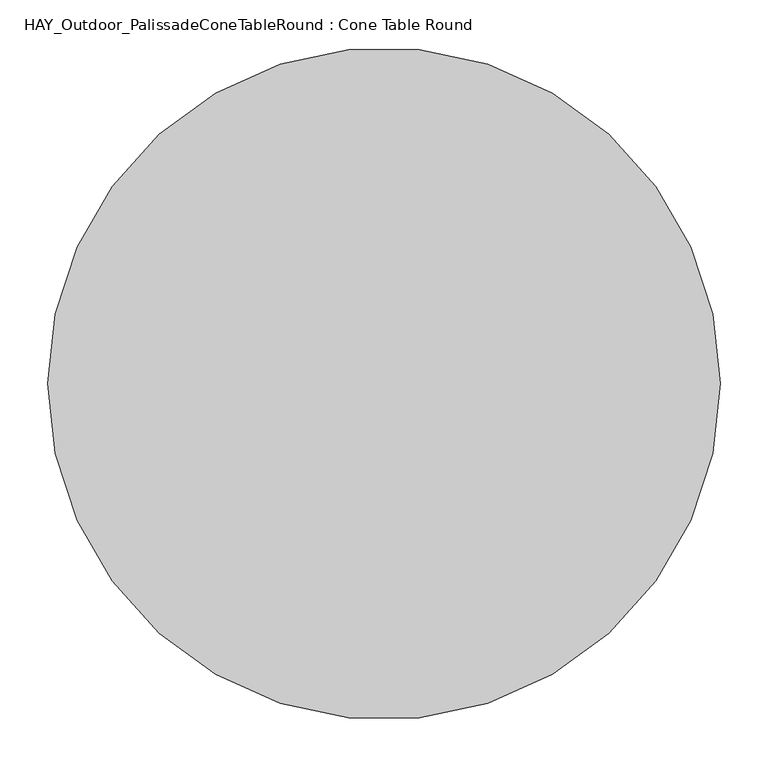
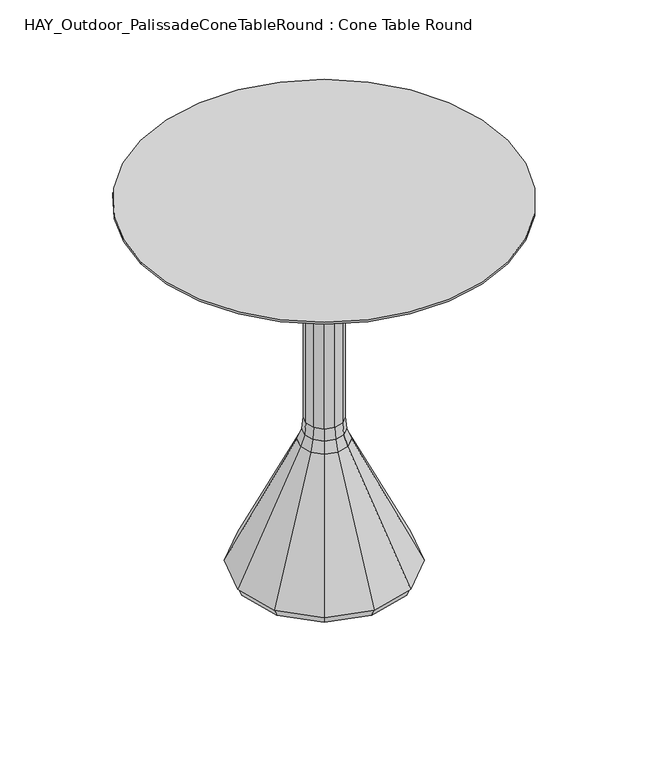
"""IFC4 building model written with IfcOpenShell, lengths in millimetres: furniture geometry, HAY_Outdoor_PalissadeConeTableRound : Cone Table Round."""

from ifc_helpers import new_model, si_unit, point, frame, origin, origin_2d, place, context, project, spatial, polyline, circle_curve, ellipse_curve, trimmed, segment, composite_curve, outline, extrude, faceted_brep, source, transform, mapped, element, save
from ifc_brep_helpers import plane_surface, cylinder_surface, revolved_surface, advanced_brep


def hay_outdoor_palissadeconetableround_cone_table_round_4ada1e5b(model_context):
    return source(origin(), model_context, "Body", "SolidModel", [
        extrude(outline(composite_curve([segment(trimmed(circle_curve(origin_2d(), 350.012), [point((-350.012, 0.0))], [point((350.012, 0.0))], False, "CARTESIAN"), True, "CONTINUOUS"), segment(trimmed(circle_curve(origin_2d(), 350.012), [point((350.012, 0.0))], [point((-350.012, 0.0))], False, "CARTESIAN"), True, "CONTINUOUS")], self_intersect=False)), frame((0.0, 0.0, 736.0012962), z_axis=(0.0, 0.0, 1.0), x_axis=(1.0, 0.0, 0.0)), (0.0, 0.0, 1.0), 3.9999739),
        advanced_brep(
        [(-61.8904654, 0.0, 722.0012787), (-67.8683385, 0.0, 722.0012787), (-61.8904654, 0.0, 710.9578606), (-67.8683385, 0.0, 710.9578606), (-42.1316606, 0.0, 710.9578606), (-48.1095336, 0.0, 710.9578606), (-48.1095336, 0.0, 722.0012787), (-42.1316606, 0.0, 722.0012787)],
        [
            (0, 1, circle_curve(frame((-64.8794019, 0.0, 722.0012787), z_axis=(0.0, 0.0, 1.0), x_axis=(-1.0, 0.0, 0.0)), 2.9889365)),
            (1, 0, circle_curve(frame((-64.8794019, 0.0, 722.0012787), z_axis=(0.0, 0.0, 1.0), x_axis=(-1.0, 0.0, 0.0)), 2.9889365)),
            (0, 2),
            (2, 3, circle_curve(frame((-64.8794019, 0.0, 710.9578606), z_axis=(0.0, 0.0, 1.0), x_axis=(-1.0, 0.0, 0.0)), 2.9889365)),
            (3, 1),
            (3, 2, circle_curve(frame((-64.8794019, 0.0, 710.9578606), z_axis=(0.0, 0.0, 1.0), x_axis=(-1.0, 0.0, 0.0)), 2.9889365)),
            (4, 3, circle_curve(frame((-54.9999995, 0.0, 710.9578606), z_axis=(0.0, 1.0, 0.0), x_axis=(-1.0, 0.0, 0.0)), 12.8683389)),
            (2, 5, circle_curve(frame((-54.9999995, 0.0, 710.9578606), z_axis=(0.0, -1.0, 0.0), x_axis=(-1.0, 0.0, 0.0)), 6.8904659)),
            (5, 4, circle_curve(frame((-45.1205971, 0.0, 710.9578606), z_axis=(0.0, 0.0, -1.0), x_axis=(1.0, 0.0, 0.0)), 2.9889365)),
            (4, 5, circle_curve(frame((-45.1205971, 0.0, 710.9578606), z_axis=(0.0, 0.0, -1.0), x_axis=(1.0, 0.0, 0.0)), 2.9889365)),
            (6, 7, circle_curve(frame((-45.1205971, 0.0, 722.0012787), z_axis=(0.0, 0.0, 1.0), x_axis=(1.0, 0.0, 0.0)), 2.9889365)),
            (7, 6, circle_curve(frame((-45.1205971, 0.0, 722.0012787), z_axis=(0.0, 0.0, 1.0), x_axis=(1.0, 0.0, 0.0)), 2.9889365)),
            (5, 6),
            (7, 4),
        ],
        [
            plane_surface(frame((-64.9999978, 0.0, 722.0012787), z_axis=(0.0, 0.0, 1.0), x_axis=(0.0, -1.0, 0.0))),
            cylinder_surface(frame((-64.8794019, 0.0, 722.0012787), z_axis=(0.0, 0.0, 1.0), x_axis=(-1.0, 0.0, 0.0)), 2.9889365),
            revolved_surface(trimmed(ellipse_curve(frame((-64.8794019, 0.0, 710.9578606), z_axis=(0.0, 0.0, 1.0), x_axis=(-1.0, 0.0, 0.0)), 2.9889365, 2.9889365), [point((-61.8904654, 0.0, 710.9578606))], [point((-67.8683385, 0.0, 710.9578606))], True, "CARTESIAN"), (-54.9999995, 0.0, 710.9578606), (0.0, -1.0, 0.0)),
            revolved_surface(trimmed(ellipse_curve(frame((-64.8794019, 0.0, 710.9578606), z_axis=(0.0, 0.0, 1.0), x_axis=(-1.0, 0.0, 0.0)), 2.9889365, 2.9889365), [point((-67.8683385, 0.0, 710.9578606))], [point((-61.8904654, 0.0, 710.9578606))], True, "CARTESIAN"), (-54.9999995, 0.0, 710.9578606), (0.0, -1.0, 0.0)),
            plane_surface(frame((-45.0000013, 0.0, 722.0012787), z_axis=(0.0, 0.0, 1.0), x_axis=(0.0, -1.0, 0.0))),
            cylinder_surface(frame((-45.1205971, 0.0, 710.9578606), z_axis=(0.0, 0.0, -1.0), x_axis=(1.0, 0.0, 0.0)), 2.9889365),
        ],
        [
            (0, [[1, 2]]),
            (1, [[-1, 3, 4, 5]]),
            (1, [[-2, -5, 6, -3]]),
            (2, [[7, -4, 8, 9]]),
            (3, [[-8, -6, -7, 10]]),
            (4, [[11, 12]]),
            (5, [[-9, 13, -12, 14]]),
            (5, [[-10, -14, -11, -13]]),
        ],
    ),
        extrude(outline(polyline([(-37.5000003, 64.9519058), (0.0, 75.0000005), (37.5000003, 64.9519058), (64.9519058, 37.5000003), (75.0000005, 0.0), (64.9519058, -37.5000003), (37.5000003, -64.9519058), (0.0, -75.0000005), (-37.5000003, -64.9519058), (-64.9519058, -37.5000003), (-75.0000005, 0.0), (-64.9519058, 37.5000003), (-37.5000003, 64.9519058)])), frame((0.0, 0.0, 722.0012787), z_axis=(0.0, 0.0, 1.0), x_axis=(1.0, 0.0, 0.0)), (0.0, 0.0, 1.0), 14.0000175),
        faceted_brep([(-78.8226597, 136.5248514, 0.0), (0.0, 157.6453194, 0.0), (78.8226597, 136.5248514, 0.0), (136.5248514, 78.8226597, 0.0), (157.6453194, 0.0, 0.0), (136.5248514, -78.8226597, 0.0), (78.8226597, -136.5248514, 0.0), (0.0, -157.6453194, 0.0), (-78.8226597, -136.5248514, 0.0), (-136.5248514, -78.8226597, 0.0), (-157.6453194, 0.0, 0.0), (-136.5248514, 78.8226597, 0.0), (-81.5867442, 141.3123862, 14.4209073), (-141.3123862, 81.5867442, 14.4209073), (-163.1734885, 0.0, 14.4209073), (-141.3123862, -81.5867442, 14.4209073), (-81.5867442, -141.3123862, 14.4209073), (0.0, -163.1734885, 14.4209073), (81.5867442, -141.3123862, 14.4209073), (141.3123862, -81.5867442, 14.4209073), (163.1734885, 0.0, 14.4209073), (141.3123862, 81.5867442, 14.4209073), (81.5867442, 141.3123862, 14.4209073), (0.0, 163.1734885, 14.4209073)], [[[0, 1, 2, 3, 4, 5, 6, 7, 8, 9, 10, 11]], [[12, 13, 14, 15, 16, 17, 18, 19, 20, 21, 22, 23]], [[13, 12, 0, 11]], [[14, 13, 11, 10]], [[15, 14, 10, 9]], [[16, 15, 9, 8]], [[17, 16, 8, 7]], [[18, 17, 7, 6]], [[19, 18, 6, 5]], [[20, 19, 5, 4]], [[21, 20, 4, 3]], [[22, 21, 3, 2]], [[23, 22, 2, 1]], [[12, 23, 1, 0]]]),
        extrude(outline(polyline([(17.5000004, 30.3108898), (30.3108898, 17.5000004), (35.0000007, 0.0), (30.3108898, -17.5000004), (17.5000004, -30.3108898), (0.0, -35.0000007), (-17.5000004, -30.3108898), (-30.3108898, -17.5000004), (-35.0000007, 0.0), (-30.3108898, 17.5000004), (-17.5000004, 30.3108898), (0.0, 35.0000007), (17.5000004, 30.3108898)])), frame((0.0, 0.0, 304.2851332), z_axis=(0.0, 0.0, 1.0), x_axis=(1.0, 0.0, 0.0)), (0.0, 0.0, 1.0), 417.7161455),
        faceted_brep([(17.5000004, 30.3108898, 304.2851332), (0.0, 35.0000007, 304.2851332), (-17.5000004, 30.3108898, 304.2851332), (-30.3108898, 17.5000004, 304.2851332), (-35.0000007, 0.0, 304.2851332), (-30.3108898, -17.5000004, 304.2851332), (-17.5000004, -30.3108898, 304.2851332), (0.0, -35.0000007, 304.2851332), (17.5000004, -30.3108898, 304.2851332), (30.3108898, -17.5000004, 304.2851332), (35.0000007, 0.0, 304.2851332), (30.3108898, 17.5000004, 304.2851332), (18.7815003, 32.5305128, 281.7900128), (32.5305128, 18.7815003, 281.7900128), (37.5630006, 0.0, 281.7900128), (32.5305128, -18.7815003, 281.7900128), (18.7815003, -32.5305128, 281.7900128), (0.0, -37.5630006, 281.7900128), (-18.7815003, -32.5305128, 281.7900128), (-32.5305128, -18.7815003, 281.7900128), (-37.5630006, 0.0, 281.7900128), (-32.5305128, 18.7815003, 281.7900128), (-18.7815003, 32.5305128, 281.7900128), (0.0, 37.5630006, 281.7900128)], [[[0, 1, 2, 3, 4, 5, 6, 7, 8, 9, 10, 11]], [[12, 13, 14, 15, 16, 17, 18, 19, 20, 21, 22, 23]], [[12, 23, 1, 0]], [[23, 22, 2, 1]], [[22, 21, 3, 2]], [[21, 20, 4, 3]], [[20, 19, 5, 4]], [[19, 18, 6, 5]], [[18, 17, 7, 6]], [[17, 16, 8, 7]], [[16, 15, 9, 8]], [[15, 14, 10, 9]], [[14, 13, 11, 10]], [[13, 12, 0, 11]]]),
        faceted_brep([(22.5602985, 39.0755833, 260.4480197), (39.0755833, 22.5602985, 260.4480197), (45.1205971, 0.0, 260.4480197), (39.0755833, -22.5602985, 260.4480197), (22.5602985, -39.0755833, 260.4480197), (0.0, -45.1205971, 260.4480197), (-22.5602985, -39.0755833, 260.4480197), (-39.0755833, -22.5602985, 260.4480197), (-45.1205971, 0.0, 260.4480197), (-39.0755833, 22.5602985, 260.4480197), (-22.5602985, 39.0755833, 260.4480197), (0.0, 45.1205971, 260.4480197), (18.7815003, 32.5305128, 281.7900128), (0.0, 37.5630006, 281.7900128), (-18.7815003, 32.5305128, 281.7900128), (-32.5305128, 18.7815003, 281.7900128), (-37.5630006, 0.0, 281.7900128), (-32.5305128, -18.7815003, 281.7900128), (-18.7815003, -32.5305128, 281.7900128), (0.0, -37.5630006, 281.7900128), (18.7815003, -32.5305128, 281.7900128), (32.5305128, -18.7815003, 281.7900128), (37.5630006, 0.0, 281.7900128), (32.5305128, 18.7815003, 281.7900128)], [[[0, 1, 2, 3, 4, 5, 6, 7, 8, 9, 10, 11]], [[12, 13, 14, 15, 16, 17, 18, 19, 20, 21, 22, 23]], [[13, 12, 0, 11]], [[14, 13, 11, 10]], [[15, 14, 10, 9]], [[16, 15, 9, 8]], [[17, 16, 8, 7]], [[18, 17, 7, 6]], [[19, 18, 6, 5]], [[20, 19, 5, 4]], [[21, 20, 4, 3]], [[22, 21, 3, 2]], [[23, 22, 2, 1]], [[12, 23, 1, 0]]]),
        faceted_brep([(22.5602985, 39.0755833, 260.4480197), (0.0, 45.1205971, 260.4480197), (-22.5602985, 39.0755833, 260.4480197), (-39.0755833, 22.5602985, 260.4480197), (-45.1205971, 0.0, 260.4480197), (-39.0755833, -22.5602985, 260.4480197), (-22.5602985, -39.0755833, 260.4480197), (0.0, -45.1205971, 260.4480197), (22.5602985, -39.0755833, 260.4480197), (39.0755833, -22.5602985, 260.4480197), (45.1205971, 0.0, 260.4480197), (39.0755833, 22.5602985, 260.4480197), (82.499997, 142.8941864, 14.6588164), (142.8941864, 82.499997, 14.6588164), (164.999994, 0.0, 14.6588164), (142.8941864, -82.499997, 14.6588164), (82.499997, -142.8941864, 14.6588164), (0.0, -164.999994, 14.6588164), (-82.499997, -142.8941864, 14.6588164), (-142.8941864, -82.499997, 14.6588164), (-164.999994, 0.0, 14.6588164), (-142.8941864, 82.499997, 14.6588164), (-82.499997, 142.8941864, 14.6588164), (0.0, 164.999994, 14.6588164)], [[[0, 1, 2, 3, 4, 5, 6, 7, 8, 9, 10, 11]], [[12, 13, 14, 15, 16, 17, 18, 19, 20, 21, 22, 23]], [[12, 23, 1, 0]], [[23, 22, 2, 1]], [[22, 21, 3, 2]], [[21, 20, 4, 3]], [[20, 19, 5, 4]], [[19, 18, 6, 5]], [[18, 17, 7, 6]], [[17, 16, 8, 7]], [[16, 15, 9, 8]], [[15, 14, 10, 9]], [[14, 13, 11, 10]], [[13, 12, 0, 11]]]),
    ])


if __name__ == "__main__":
    model = new_model("IFC4")
    model_context = context("Model", 3, world=origin())
    ifc_project = project(units=[si_unit("LENGTHUNIT", "METRE", prefix="MILLI")], contexts=[model_context])
    site = spatial("IfcSite", under=ifc_project)
    building = spatial("IfcBuilding", under=site)
    placement = place(None, origin())
    hay_outdoor_palissadeconetableround_cone_table_round_shape = hay_outdoor_palissadeconetableround_cone_table_round_4ada1e5b(model_context)
    element("IfcFurniture", 1, ObjectType="HAY_Outdoor_PalissadeConeTableRound : Cone Table Round", at=placement, inside=building, context=model_context, shape_type="MappedRepresentation", body=[
        mapped(hay_outdoor_palissadeconetableround_cone_table_round_shape, transform((0.0, 0.0, 0.0), x_axis=(1.0, 0.0, 0.0), y_axis=(0.0, 1.0, 0.0), z_axis=(0.0, 0.0, 1.0))),
    ])
    save(model, "model.ifc")
